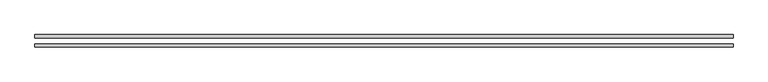
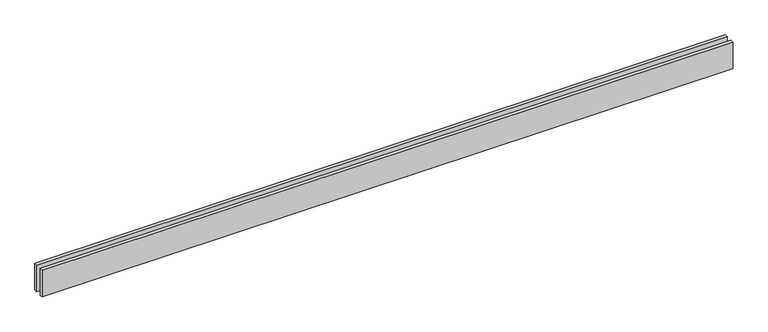
"""IFC4 building model written with IfcOpenShell, lengths in millimetres: proxy geometry."""

import ifcopenshell
import ifcopenshell.guid

model = None  # the IFC model being written
_history = None  # IfcOwnerHistory: only IFC2X3 demands one
_inside = {}  # id of a spatial element -> (the spatial element, [elements in it])
_under = {}  # id of a project, library or spatial element -> (it, [spatial elements below it])
_declared = {}  # id of a project -> (the project, [libraries it declares])
_typed = {}  # id of a type object -> (the type object, [elements of that type])
_made_of = {}  # id of a material, layer set ... -> (it, [elements and type objects made of it])


def new_model(schema):
    """Start an empty IFC model of exactly this schema.

    Asked for "IFC4X3", IfcOpenShell would pick the latest addendum, in which some entities
    have other attributes; the version numbers below select the first issue.
    IFC2X3 requires an IfcOwnerHistory on every rooted entity: one is made here for all.
    """
    global model, _history
    if schema == "IFC4X3":
        model = ifcopenshell.file(schema_version=(4, 3, 0, 0))
    else:
        model = ifcopenshell.file(schema=schema)
    _inside.clear()
    _under.clear()
    _declared.clear()
    _typed.clear()
    _made_of.clear()
    _history = None
    if model.schema == "IFC2X3":
        org = make("IfcOrganization", Name="unknown")
        user = make(
            "IfcPersonAndOrganization",
            ThePerson=make("IfcPerson", FamilyName="unknown"),
            TheOrganization=org,
        )
        app = make(
            "IfcApplication",
            ApplicationDeveloper=org,
            Version="unknown",
            ApplicationFullName="unknown",
            ApplicationIdentifier="unknown",
        )
        _history = make(
            "IfcOwnerHistory",
            OwningUser=user,
            OwningApplication=app,
            ChangeAction="ADDED",
            CreationDate=0,
        )
    return model


def make(cls, **values):
    """One entity of the class cls with the attributes given. An attribute that is None is left unset."""
    return model.create_entity(
        cls, **{name: value for name, value in values.items() if value is not None}
    )


def rooted(cls, **values):
    """An entity with a GlobalId (a new one), such as an element, a storey or a relation."""
    return make(cls, GlobalId=ifcopenshell.guid.new(), OwnerHistory=_history, **values)


def si_unit(unit_type, name, prefix=None):
    """IfcSIUnit, for example si_unit("LENGTHUNIT", "METRE", prefix="MILLI")."""
    return make("IfcSIUnit", UnitType=unit_type, Prefix=prefix, Name=name)


def assignment(units):
    """IfcUnitAssignment: the units of a project."""
    return None if units is None else make("IfcUnitAssignment", Units=units)


def point(xyz):
    """IfcCartesianPoint."""
    return None if xyz is None else make("IfcCartesianPoint", Coordinates=xyz)


def direction(xyz):
    """IfcDirection."""
    return None if xyz is None else make("IfcDirection", DirectionRatios=xyz)


def frame(location, z_axis=None, x_axis=None):
    """IfcAxis2Placement3D, a coordinate frame: its origin and axes. An axis left out is left unset."""
    return make(
        "IfcAxis2Placement3D",
        Location=point(location),
        Axis=direction(z_axis),
        RefDirection=direction(x_axis),
    )


def origin():
    """The frame at (0, 0, 0) with its axes left unset."""
    return frame((0.0, 0.0, 0.0))


def origin_with_axes():
    """The frame at (0, 0, 0) with the z axis (0, 0, 1) and the x axis (1, 0, 0) written out."""
    return frame((0.0, 0.0, 0.0), z_axis=(0.0, 0.0, 1.0), x_axis=(1.0, 0.0, 0.0))


def place(relative_to, where):
    """IfcLocalPlacement: puts the frame where relative to a parent placement (None: the world)."""
    return make(
        "IfcLocalPlacement", PlacementRelTo=relative_to, RelativePlacement=where
    )


def context(
    kind, dimensions, precision=None, world=None, true_north=None, identifier=None
):
    """IfcGeometricRepresentationContext, for example the 3D "Model" context."""
    return make(
        "IfcGeometricRepresentationContext",
        ContextIdentifier=identifier,
        ContextType=kind,
        CoordinateSpaceDimension=dimensions,
        Precision=precision,
        WorldCoordinateSystem=world,
        TrueNorth=true_north,
    )


def project(units=None, contexts=None):
    """IfcProject with its units and contexts."""
    return rooted(
        "IfcProject",
        Name="project",
        RepresentationContexts=contexts,
        UnitsInContext=assignment(units),
    )


def spatial(cls, under=None, at=None, **own):
    """A site, building, storey or space (cls), placed at a placement, below another one or the project."""
    s = rooted(cls, ObjectPlacement=at, **own)
    if under is not None:
        _under.setdefault(under.id(), (under, []))[1].append(s)
    return s


def polyline(points):
    """IfcPolyline through the points."""
    return make("IfcPolyline", Points=[point(p) for p in points])


def outline(outer, holes=None, kind="AREA"):
    """IfcArbitraryClosedProfileDef: a profile drawn as a closed curve; with holes, ...WithVoids."""
    if holes is None:
        return make("IfcArbitraryClosedProfileDef", ProfileType=kind, OuterCurve=outer)
    return make(
        "IfcArbitraryProfileDefWithVoids",
        ProfileType=kind,
        OuterCurve=outer,
        InnerCurves=holes,
    )


def extrude(swept, where, along, depth):
    """IfcExtrudedAreaSolid: the profile swept, set in the frame where, extruded along a direction by depth."""
    return make(
        "IfcExtrudedAreaSolid",
        SweptArea=swept,
        Position=where,
        ExtrudedDirection=direction(along),
        Depth=depth,
    )


def shape(context_of_items, identifier, shape_type, items):
    """IfcShapeRepresentation: the items that make up one representation, for example the "Body"."""
    return make(
        "IfcShapeRepresentation",
        ContextOfItems=context_of_items,
        RepresentationIdentifier=identifier,
        RepresentationType=shape_type,
        Items=items,
    )


def source(mapping_origin, context_of_items, identifier, shape_type, items):
    """IfcRepresentationMap: a shape defined once, which mapped items show again and again."""
    return make(
        "IfcRepresentationMap",
        MappingOrigin=mapping_origin,
        MappedRepresentation=shape(context_of_items, identifier, shape_type, items),
    )


def transform(
    local_origin,
    x_axis=None,
    y_axis=None,
    z_axis=None,
    scale=None,
    scale2=None,
    scale3=None,
    uniform=True,
):
    """IfcCartesianTransformationOperator3D, or its non-uniform kind. x_axis, y_axis, z_axis: its Axis1, 2, 3."""
    if uniform:
        return make(
            "IfcCartesianTransformationOperator3D",
            Axis1=direction(x_axis),
            Axis2=direction(y_axis),
            LocalOrigin=point(local_origin),
            Scale=scale,
            Axis3=direction(z_axis),
        )
    return make(
        "IfcCartesianTransformationOperator3DnonUniform",
        Axis1=direction(x_axis),
        Axis2=direction(y_axis),
        LocalOrigin=point(local_origin),
        Scale=scale,
        Axis3=direction(z_axis),
        Scale2=scale2,
        Scale3=scale3,
    )


def mapped(mapping_source, mapping_target):
    """IfcMappedItem: shows the shape of a source again, moved by a transform."""
    return make(
        "IfcMappedItem", MappingSource=mapping_source, MappingTarget=mapping_target
    )


def made_of(thing, what):
    """Note that an element or type object is made of a material, layer set ...; save() writes the relation."""
    if what is not None:
        _made_of.setdefault(what.id(), (what, []))[1].append(thing)
    return thing


def element(
    cls,
    number,
    at=None,
    inside=None,
    cuts=None,
    type_object=None,
    material=None,
    context=None,
    identifier="Body",
    shape_type=None,
    held_by="IfcProductDefinitionShape",
    body=None,
    shapes=None,
    **own,
):
    """One element of the class cls, such as IfcWall. Its Tag is "e" and its number.

    at: its placement. inside: the storey or other place that contains it. cuts: it is an
    opening in that element (IfcRelVoidsElement). A single representation is given by context,
    identifier, shape_type and body (its items); several are given by shapes. held_by: the class
    of the entity that holds the representations. save() writes the other relations.
    """
    e = rooted(cls, Tag="e%d" % number, ObjectPlacement=at, **own)
    if body is not None:
        shapes = [shape(context, identifier, shape_type, body)]
    if shapes is not None:
        e.Representation = make(held_by, Representations=shapes)
    if inside is not None:
        _inside.setdefault(inside.id(), (inside, []))[1].append(e)
    if cuts is not None:
        rooted(
            "IfcRelVoidsElement", RelatingBuildingElement=cuts, RelatedOpeningElement=e
        )
    if type_object is not None:
        _typed.setdefault(type_object.id(), (type_object, []))[1].append(e)
    return made_of(e, material)


def aggregate(whole, parts):
    """IfcRelAggregates: a whole, such as a stair, and the parts it consists of."""
    return rooted("IfcRelAggregates", RelatingObject=whole, RelatedObjects=parts)


def save(model, path):
    """Write the relations noted so far, then the file.

    IfcRelAggregates (storeys below a building ...), IfcRelContainedInSpatialStructure (elements
    in a storey), IfcRelDefinesByType, IfcRelAssociatesMaterial and IfcRelDeclares: one each for
    every whole, place, type object, material and project.
    """
    for whole, parts in _under.values():
        aggregate(whole, parts)
    for where, things in _inside.values():
        rooted(
            "IfcRelContainedInSpatialStructure",
            RelatedElements=things,
            RelatingStructure=where,
        )
    for kind, things in _typed.values():
        rooted("IfcRelDefinesByType", RelatedObjects=things, RelatingType=kind)
    for what, things in _made_of.values():
        rooted("IfcRelAssociatesMaterial", RelatedObjects=things, RelatingMaterial=what)
    for by, libraries in _declared.values():
        rooted("IfcRelDeclares", RelatingContext=by, RelatedDefinitions=libraries)
    model.write(path)


def generic_models_2c01181b(model_context):
    return source(origin(), model_context, "Body", "SweptSolid", [
        extrude(outline(polyline([(6141.6105079, -25.0), (6141.6105079, -55.0), (0.0, -55.0), (0.0, -25.0), (6141.6105079, -25.0)])), origin_with_axes(), (0.0, 0.0, 1.0), 250.0),
        extrude(outline(polyline([(6141.6105079, 55.0), (6141.6105079, 25.0), (0.0, 25.0), (0.0, 55.0), (6141.6105079, 55.0)])), origin_with_axes(), (0.0, 0.0, 1.0), 250.0),
    ])


if __name__ == "__main__":
    model = new_model("IFC4")
    model_context = context("Model", 3, world=origin())
    ifc_project = project(units=[si_unit("LENGTHUNIT", "METRE", prefix="MILLI")], contexts=[model_context])
    site = spatial("IfcSite", under=ifc_project)
    building = spatial("IfcBuilding", under=site)
    placement = place(None, origin())
    generic_models_shape = generic_models_2c01181b(model_context)
    element("IfcBuildingElementProxy", 1, Name="Generic Models", at=placement, inside=building, context=model_context, shape_type="MappedRepresentation", body=[
        mapped(generic_models_shape, transform((0.0, 0.0, 0.0), x_axis=(1.0, 0.0, 0.0), y_axis=(0.0, 1.0, 0.0), z_axis=(0.0, 0.0, 1.0))),
    ])
    save(model, "model.ifc")
